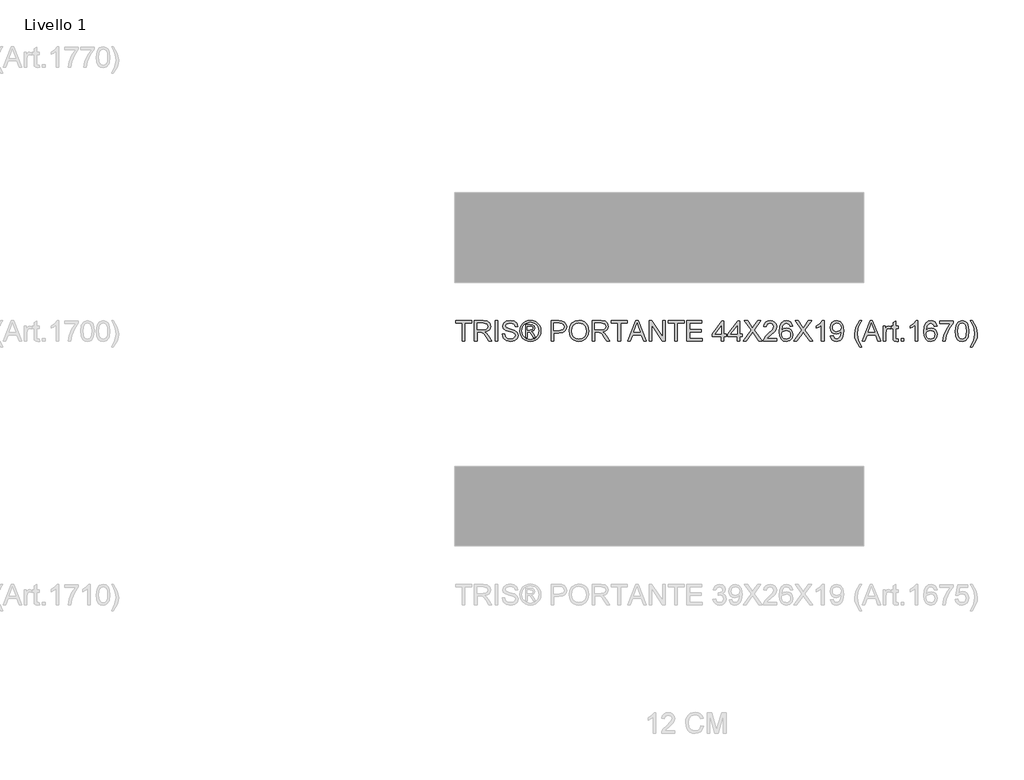
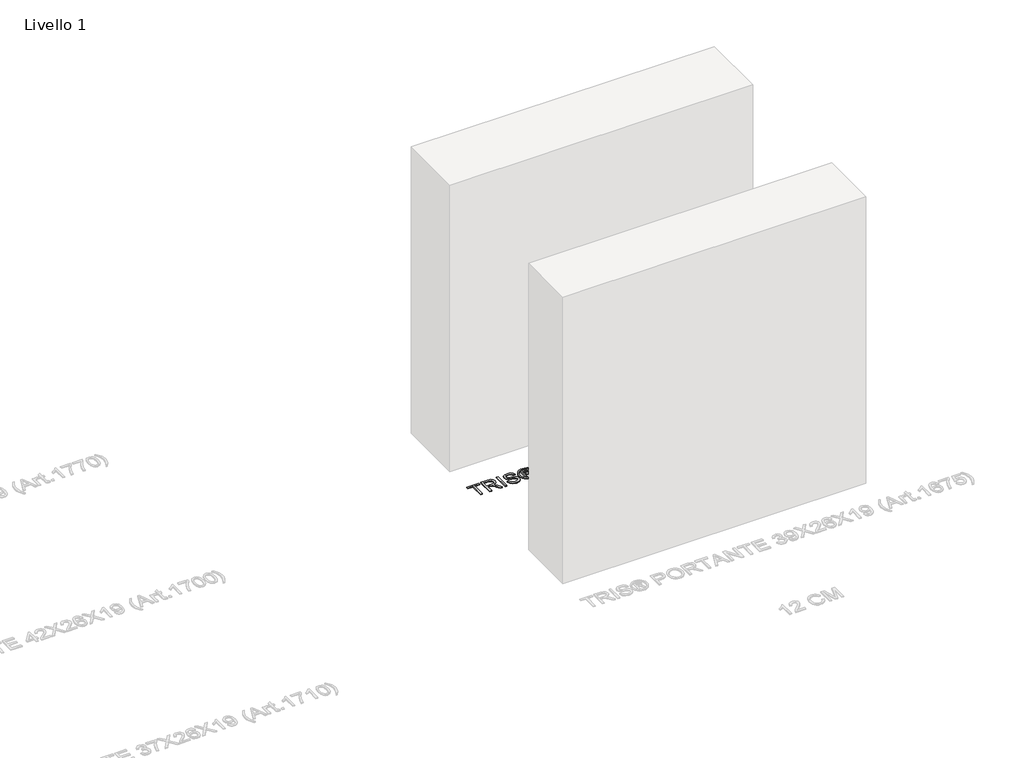
# One storey, part 17 of 19: 1 proxy.
"""IFC4 building model written with IfcOpenShell, lengths in millimetres."""

from ifc_helpers import new_model, si_unit, origin, origin_with_axes, place, context, project, spatial, polyline, outline, extrude, element, save

model = new_model("IFC4")

# Units and contexts
model_context = context("Model", 3, world=origin())
ifc_project = project(units=[si_unit("LENGTHUNIT", "METRE", prefix="MILLI")], contexts=[model_context])

# Site, building, storey
site = spatial("IfcSite", under=ifc_project)
building = spatial("IfcBuilding", under=site)
storey = spatial("IfcBuildingStorey", under=building, Name="Livello 1", Elevation=0.0)

# Proxy
placement = place(None, origin())
element("IfcBuildingElementProxy", 1, Name="100", ObjectType="100", at=placement, inside=storey, context=model_context, shape_type="SweptSolid", body=[
    extrude(outline(polyline([(3099.3895792, 1233.8942151), (3099.3895792, 1321.7934865), (3066.4273524, 1321.7934865), (3066.4273524, 1334.3505252), (3144.9088447, 1334.3505252), (3144.9088447, 1321.7934865), (3111.946618, 1321.7934865), (3111.946618, 1233.8942151), (3099.3895792, 1233.8942151)])), origin_with_axes(), (0.0, 0.0, 1.0), 5.0),
    extrude(outline(polyline([(3159.0355134, 1233.8942151), (3159.0355134, 1334.3505252), (3202.3229615, 1334.3505252), (3222.4215811, 1331.6404612), (3233.40899, 1322.0510039), (3237.5170057, 1306.8574775), (3235.8155514, 1296.9614518), (3230.7111888, 1288.7576833), (3222.0506334, 1282.7428127), (3209.6806014, 1279.4134806), (3216.8175121, 1274.0424035), (3226.9955806, 1261.1174827), (3243.7464741, 1233.8942151), (3229.1538216, 1233.8942151), (3216.0817481, 1254.716336), (3206.6394435, 1268.4996481), (3200.0053049, 1275.0111594), (3194.0333538, 1277.4023924), (3186.7492903, 1277.8438508), (3171.5925521, 1277.8438508), (3171.5925521, 1233.8942151), (3159.0355134, 1233.8942151)]), holes=[polyline([(3171.5925521, 1290.4008895), (3199.6987366, 1290.4008895), (3214.0338716, 1292.1789858), (3222.1763265, 1297.868894), (3224.9599669, 1306.3914936), (3219.6502034, 1317.4524789), (3202.8625217, 1321.7934865), (3171.5925521, 1321.7934865), (3171.5925521, 1290.4008895)])]), origin_with_axes(), (0.0, 0.0, 1.0), 5.0),
    extrude(outline(polyline([(3261.0614534, 1233.8942151), (3261.0614534, 1334.3505252), (3273.6184921, 1334.3505252), (3273.6184921, 1233.8942151), (3261.0614534, 1233.8942151)])), origin_with_axes(), (0.0, 0.0, 1.0), 5.0),
    extrude(outline(polyline([(3294.0236801, 1268.4260717), (3306.5807189, 1268.4260717), (3310.6274208, 1255.8567702), (3320.5111838, 1247.9105191), (3335.5698201, 1244.881624), (3348.6909446, 1247.1747551), (3357.1644932, 1253.4778), (3359.9481337, 1261.9022976), (3357.863469, 1269.7381841), (3349.3286067, 1275.4403551), (3331.0448716, 1280.2350837), (3311.3631848, 1286.427764), (3300.6823442, 1295.7719667), (3297.1629398, 1308.255429), (3301.5162101, 1322.4679368), (3314.2326644, 1332.4988525), (3332.8474933, 1335.9201551), (3352.7131211, 1332.339437), (3365.9568729, 1321.8180119), (3370.9355426, 1306.097188), (3358.3785038, 1306.097188), (3356.07311, 1313.589718), (3351.2661186, 1318.9975833), (3333.3380027, 1323.3631163), (3315.3608358, 1319.0466342), (3309.7199786, 1308.623311), (3313.7176296, 1299.9167705), (3334.2209195, 1292.9024871), (3356.440992, 1286.5994422), (3368.5933605, 1276.4213737), (3372.5051724, 1262.2211287), (3368.0047494, 1247.1992806), (3355.0553031, 1236.2363971), (3336.0603294, 1232.3245852), (3313.6317905, 1236.5429654), (3299.4438082, 1249.247157), (3294.0236801, 1268.4260717)])), origin_with_axes(), (0.0, 0.0, 1.0), 5.0),
    extrude(outline(polyline([(3408.6066589, 1252.7297732), (3408.6066589, 1315.5149671), (3428.8892196, 1315.5149671), (3443.9478559, 1313.7859217), (3451.3668095, 1307.752657), (3454.1259244, 1298.5923953), (3449.367984, 1286.6730186), (3436.7618942, 1280.9831105), (3441.6669875, 1277.647647), (3450.2263753, 1265.1151337), (3457.2651841, 1252.7297732), (3446.6701827, 1252.7297732), (3441.1519527, 1262.6871126), (3431.9058519, 1277.1080868), (3423.8860244, 1279.4134806), (3418.024438, 1279.4134806), (3418.024438, 1252.7297732), (3408.6066589, 1252.7297732)]), holes=[polyline([(3418.024438, 1288.8312597), (3429.9438146, 1288.8312597), (3441.5934111, 1291.2224927), (3444.7081453, 1297.5623257), (3443.2120919, 1302.1240624), (3439.0550254, 1305.1161693), (3429.1835251, 1306.097188), (3418.024438, 1306.097188), (3418.024438, 1288.8312597)])]), origin_with_axes(), (0.0, 0.0, 1.0), 5.0),
    extrude(outline(polyline([(3432.175632, 1335.9201551), (3445.069896, 1334.246292), (3457.6575916, 1329.2247028), (3468.7155112, 1321.0883793), (3477.0204473, 1310.0703135), (3482.2167804, 1297.3477279), (3483.9488915, 1284.0978447), (3482.2413059, 1270.9644575), (3477.1185491, 1258.346105), (3468.9147806, 1247.3678931), (3457.9641599, 1239.1549276), (3445.3550045, 1234.0321708), (3432.175632, 1232.3245852), (3419.0146537, 1234.0321708), (3406.4116296, 1239.1549276), (3395.4518119, 1247.3678931), (3387.2204522, 1258.346105), (3382.0701043, 1270.9644575), (3380.3533217, 1284.0978447), (3382.0946298, 1297.3477279), (3387.3185541, 1310.0703135), (3395.6510813, 1321.0883793), (3406.718198, 1329.2247028), (3419.2997622, 1334.246292), (3432.175632, 1335.9201551)]), holes=[polyline([(3432.175632, 1326.502376), (3411.3535111, 1321.0209343), (3402.3250738, 1314.3592045), (3395.4977971, 1305.3368985), (3389.7711007, 1284.0978447), (3395.3874325, 1263.0427318), (3411.1082565, 1247.3586961), (3432.175632, 1241.7423643), (3453.2552704, 1247.3586961), (3468.9393061, 1263.0427318), (3474.5311124, 1284.0978447), (3468.8412042, 1305.3368985), (3462.0323216, 1314.3592045), (3452.9854902, 1321.0209343), (3432.175632, 1326.502376)])]), origin_with_axes(), (0.0, 0.0, 1.0), 5.0),
    extrude(outline(polyline([(3534.1770466, 1233.8942151), (3534.1770466, 1334.3505252), (3571.4067045, 1334.3505252), (3586.4162899, 1333.394032), (3598.6177094, 1328.6974052), (3606.5271723, 1318.9853206), (3609.5192792, 1305.2878476), (3607.4989939, 1293.4481787), (3601.438138, 1283.5828099), (3590.1043069, 1276.9241458), (3572.2650958, 1274.7045911), (3546.7340853, 1274.7045911), (3546.7340853, 1233.8942151), (3534.1770466, 1233.8942151)]), holes=[polyline([(3546.7340853, 1287.2616298), (3573.0008598, 1287.2616298), (3591.4930614, 1291.8724175), (3595.5949457, 1297.4213043), (3596.9622404, 1304.8463892), (3593.7371416, 1315.2451869), (3585.263593, 1320.9350951), (3572.7065542, 1321.7934865), (3546.7340853, 1321.7934865), (3546.7340853, 1287.2616298)])]), origin_with_axes(), (0.0, 0.0, 1.0), 5.0),
    extrude(outline(polyline([(3622.076318, 1282.797995), (3625.4240441, 1305.0119361), (3635.4672226, 1321.8180119), (3650.8017704, 1332.3946193), (3670.0236047, 1335.9201551), (3683.1999115, 1334.2646861), (3695.0150549, 1329.2982792), (3704.8252414, 1321.3704222), (3711.9866776, 1310.830603), (3716.3644733, 1298.1877251), (3717.8237386, 1283.9506919), (3716.2878312, 1269.5235863), (3711.6801092, 1256.7028988), (3704.2550243, 1246.1446855), (3694.2670281, 1238.5050027), (3682.5530523, 1233.8696896), (3669.9500283, 1232.3245852), (3656.5713864, 1234.0321708), (3644.6887979, 1239.1549276), (3634.9031369, 1247.2299374), (3627.8152771, 1257.794282), (3622.076318, 1282.797995)]), holes=[polyline([(3634.6333567, 1282.6753676), (3637.1441513, 1266.9606751), (3644.6765352, 1254.9861161), (3655.9981036, 1247.407747), (3669.8764519, 1244.881624), (3683.9571352, 1247.4322725), (3695.2970977, 1255.084218), (3702.7742993, 1267.4266589), (3705.2666998, 1284.0487938), (3700.9992687, 1304.7728128), (3688.528069, 1318.4948112), (3670.0971811, 1323.3631163), (3656.5897805, 1321.0178686), (3645.1057309, 1313.9821254), (3637.2514503, 1301.4649405), (3634.6333567, 1282.6753676)])]), origin_with_axes(), (0.0, 0.0, 1.0), 5.0),
    extrude(outline(polyline([(3735.0896669, 1233.8942151), (3735.0896669, 1334.3505252), (3778.377115, 1334.3505252), (3798.4757346, 1331.6404612), (3809.4631436, 1322.0510039), (3813.5711592, 1306.8574775), (3811.8697049, 1296.9614518), (3806.7653423, 1288.7576833), (3798.104787, 1282.7428127), (3785.7347549, 1279.4134806), (3792.8716656, 1274.0424035), (3803.0497341, 1261.1174827), (3819.8006276, 1233.8942151), (3805.2079752, 1233.8942151), (3792.1359016, 1254.716336), (3782.693597, 1268.4996481), (3776.0594584, 1275.0111594), (3770.0875073, 1277.4023924), (3762.8034438, 1277.8438508), (3747.6467056, 1277.8438508), (3747.6467056, 1233.8942151), (3735.0896669, 1233.8942151)]), holes=[polyline([(3747.6467056, 1290.4008895), (3775.7528901, 1290.4008895), (3790.0880251, 1292.1789858), (3798.23048, 1297.868894), (3801.0141204, 1306.3914936), (3795.7043569, 1317.4524789), (3778.9166752, 1321.7934865), (3747.6467056, 1321.7934865), (3747.6467056, 1290.4008895)])]), origin_with_axes(), (0.0, 0.0, 1.0), 5.0),
    extrude(outline(polyline([(3860.6600546, 1233.8942151), (3860.6600546, 1321.7934865), (3827.6978278, 1321.7934865), (3827.6978278, 1334.3505252), (3906.1793201, 1334.3505252), (3906.1793201, 1321.7934865), (3873.2170933, 1321.7934865), (3873.2170933, 1233.8942151), (3860.6600546, 1233.8942151)])), origin_with_axes(), (0.0, 0.0, 1.0), 5.0),
    extrude(outline(polyline([(3908.6073413, 1233.8942151), (3948.7064787, 1334.3505252), (3959.3995821, 1334.3505252), (3999.4987195, 1233.8942151), (3986.2304422, 1233.8942151), (3974.7279985, 1265.286812), (3933.3535368, 1265.286812), (3921.8756186, 1233.8942151), (3908.6073413, 1233.8942151)]), holes=[polyline([(3937.9643245, 1277.8438508), (3970.1417363, 1277.8438508), (3961.0918392, 1302.5409954), (3954.0530304, 1321.7934865), (3947.7990365, 1304.6992364), (3937.9643245, 1277.8438508)])]), origin_with_axes(), (0.0, 0.0, 1.0), 5.0),
    extrude(outline(polyline([(4012.9141496, 1233.8942151), (4012.9141496, 1334.3505252), (4026.3541052, 1334.3505252), (4078.8386032, 1254.7653869), (4078.8386032, 1334.3505252), (4091.3956419, 1334.3505252), (4091.3956419, 1233.8942151), (4077.9556864, 1233.8942151), (4025.4711884, 1313.5038788), (4025.4711884, 1233.8942151), (4012.9141496, 1233.8942151)])), origin_with_axes(), (0.0, 0.0, 1.0), 5.0),
    extrude(outline(polyline([(4138.4845373, 1233.8942151), (4138.4845373, 1321.7934865), (4105.5223105, 1321.7934865), (4105.5223105, 1334.3505252), (4184.0038029, 1334.3505252), (4184.0038029, 1321.7934865), (4151.0415761, 1321.7934865), (4151.0415761, 1233.8942151), (4138.4845373, 1233.8942151)])), origin_with_axes(), (0.0, 0.0, 1.0), 5.0),
    extrude(outline(polyline([(4198.1304715, 1233.8942151), (4198.1304715, 1334.3505252), (4270.3334444, 1334.3505252), (4270.3334444, 1321.7934865), (4210.6875102, 1321.7934865), (4210.6875102, 1291.9705194), (4267.1941847, 1291.9705194), (4267.1941847, 1279.4134806), (4210.6875102, 1279.4134806), (4210.6875102, 1246.4512538), (4271.9030742, 1246.4512538), (4271.9030742, 1233.8942151), (4198.1304715, 1233.8942151)])), origin_with_axes(), (0.0, 0.0, 1.0), 5.0),
    extrude(outline(polyline([(4366.080865, 1233.8942151), (4366.080865, 1257.4386628), (4320.5615995, 1257.4386628), (4320.5615995, 1269.9957015), (4369.2201247, 1332.7808954), (4378.6379038, 1332.7808954), (4378.6379038, 1269.9957015), (4391.1949425, 1269.9957015), (4391.1949425, 1257.4386628), (4378.6379038, 1257.4386628), (4378.6379038, 1233.8942151), (4366.080865, 1233.8942151)]), holes=[polyline([(4366.080865, 1269.9957015), (4366.080865, 1308.7949893), (4336.0126433, 1269.9957015), (4366.080865, 1269.9957015)])]), origin_with_axes(), (0.0, 0.0, 1.0), 5.0),
    extrude(outline(polyline([(4442.9927275, 1233.8942151), (4442.9927275, 1257.4386628), (4397.4734619, 1257.4386628), (4397.4734619, 1269.9957015), (4446.1319871, 1332.7808954), (4455.5497662, 1332.7808954), (4455.5497662, 1269.9957015), (4468.106805, 1269.9957015), (4468.106805, 1257.4386628), (4455.5497662, 1257.4386628), (4455.5497662, 1233.8942151), (4442.9927275, 1233.8942151)]), holes=[polyline([(4442.9927275, 1269.9957015), (4442.9927275, 1308.7949893), (4412.9245057, 1269.9957015), (4442.9927275, 1269.9957015)])]), origin_with_axes(), (0.0, 0.0, 1.0), 5.0),
    extrude(outline(polyline([(4472.8156945, 1233.8942151), (4511.5414059, 1288.635056), (4479.0942139, 1334.3505252), (4494.1528503, 1334.3505252), (4512.4243227, 1308.623311), (4518.5802147, 1298.5923953), (4525.7907018, 1308.7949893), (4543.8659705, 1334.3505252), (4559.1453361, 1334.3505252), (4526.6981441, 1288.4879032), (4565.4238555, 1233.8942151), (4550.3652191, 1233.8942151), (4524.5644285, 1270.2900071), (4519.1933514, 1277.8438508), (4513.282714, 1269.5542431), (4488.0950601, 1233.8942151), (4472.8156945, 1233.8942151)])), origin_with_axes(), (0.0, 0.0, 1.0), 5.0),
    extrude(outline(polyline([(4637.6268284, 1246.4512538), (4637.6268284, 1233.8942151), (4571.7023748, 1233.8942151), (4573.0512755, 1242.5517047), (4580.6786955, 1255.8812957), (4596.3995194, 1270.4371599), (4618.0800317, 1291.3573827), (4623.5001598, 1305.5821532), (4618.3866, 1317.0968597), (4605.0324836, 1321.7934865), (4591.1142814, 1317.2072242), (4585.8290435, 1304.5275581), (4573.2720047, 1306.097188), (4576.3162282, 1318.2434252), (4582.8982502, 1327.1155127), (4592.6747142, 1332.5417721), (4605.3022637, 1334.3505252), (4618.0217837, 1332.339437), (4627.7798536, 1326.3061723), (4633.9878623, 1317.2930634), (4636.0571985, 1306.3424427), (4633.8253811, 1294.4353287), (4626.4064275, 1282.1235446), (4608.416998, 1264.91893), (4593.9714983, 1252.8401378), (4588.3061156, 1246.4512538), (4637.6268284, 1246.4512538)])), origin_with_axes(), (0.0, 0.0, 1.0), 5.0),
    extrude(outline(polyline([(4714.5386908, 1307.6668178), (4701.9816521, 1306.097188), (4697.2237116, 1316.5695621), (4684.6421474, 1321.7934865), (4673.3113819, 1318.7523286), (4664.7397314, 1307.335724), (4661.1712761, 1284.956236), (4672.2445241, 1294.974889), (4685.9665225, 1298.2490388), (4697.5670681, 1296.01109), (4707.3036783, 1289.2972435), (4713.9071601, 1279.0394672), (4716.1083207, 1266.1697288), (4711.9635169, 1248.8424868), (4700.559175, 1236.5797536), (4684.1025871, 1232.3245852), (4669.8563568, 1235.1450139), (4658.510263, 1243.6062997), (4651.0882437, 1258.5423088), (4648.6142373, 1280.7869067), (4651.3610895, 1305.796751), (4659.6016462, 1322.8971324), (4670.8527039, 1331.487177), (4685.4269623, 1334.3505252), (4696.445028, 1332.5785603), (4705.2680646, 1327.2626655), (4711.4484821, 1318.8197737), (4714.5386908, 1307.6668178)]), holes=[polyline([(4661.1712761, 1266.3659325), (4664.0775438, 1255.4888882), (4671.8030657, 1247.591688), (4683.1215684, 1244.881624), (4691.4081104, 1246.2857069), (4697.9226874, 1250.4979558), (4702.1441333, 1257.1198317), (4703.5512819, 1265.7527959), (4702.1625274, 1274.0393378), (4697.9962638, 1280.3577111), (4691.3713222, 1284.3584278), (4682.6065336, 1285.692), (4667.4130072, 1280.3577111), (4662.7317089, 1274.192622), (4661.1712761, 1266.3659325)])]), origin_with_axes(), (0.0, 0.0, 1.0), 5.0),
    extrude(outline(polyline([(4720.8172102, 1233.8942151), (4759.5429216, 1288.635056), (4727.0957296, 1334.3505252), (4742.1543659, 1334.3505252), (4760.4258384, 1308.623311), (4766.5817304, 1298.5923953), (4773.7922175, 1308.7949893), (4791.8674862, 1334.3505252), (4807.1468517, 1334.3505252), (4774.6996598, 1288.4879032), (4813.4253711, 1233.8942151), (4798.3667348, 1233.8942151), (4772.5659442, 1270.2900071), (4767.1948671, 1277.8438508), (4761.2842297, 1269.5542431), (4736.0965757, 1233.8942151), (4720.8172102, 1233.8942151)])), origin_with_axes(), (0.0, 0.0, 1.0), 5.0),
    extrude(outline(polyline([(4868.3624157, 1233.8942151), (4855.805377, 1233.8942151), (4855.805377, 1312.1795036), (4843.9105258, 1303.705955), (4830.6912994, 1297.366122), (4830.6912994, 1309.2364477), (4849.0976619, 1320.9841461), (4860.2690119, 1334.3505252), (4868.3624157, 1334.3505252), (4868.3624157, 1233.8942151)])), origin_with_axes(), (0.0, 0.0, 1.0), 5.0),
    extrude(outline(polyline([(4899.7550127, 1259.0082926), (4912.3120514, 1260.5779225), (4917.9529087, 1248.5972321), (4928.646012, 1244.881624), (4938.8118178, 1247.272857), (4945.7034739, 1253.6617409), (4949.8114895, 1264.5755735), (4951.626374, 1279.1437005), (4951.5527976, 1281.5962471), (4941.5096191, 1272.0803662), (4927.7385698, 1268.4260717), (4916.2882427, 1270.6578891), (4906.7570333, 1277.3533414), (4900.3282954, 1287.6969569), (4898.1853828, 1300.8732637), (4900.4325287, 1314.4848975), (4907.1739662, 1325.1534753), (4917.2999182, 1332.0512628), (4929.7006071, 1334.3505252), (4947.5919348, 1329.1020754), (4959.9037189, 1314.141541), (4964.1098364, 1286.0353565), (4959.9159816, 1255.5379391), (4954.7012543, 1245.5468773), (4947.444782, 1238.2597481), (4938.4592642, 1233.8083759), (4928.0574008, 1232.3245852), (4917.3213779, 1234.0750904), (4908.7558588, 1239.3266059), (4902.7655137, 1247.7480379), (4899.7550127, 1259.0082926)]), holes=[polyline([(4951.5527976, 1301.1675693), (4950.1977656, 1309.6779061), (4946.1326695, 1316.2262056), (4939.8234933, 1320.4016662), (4931.7362208, 1321.7934865), (4923.3485113, 1320.2943673), (4916.6285335, 1315.7970099), (4912.2139496, 1308.9145509), (4910.7424216, 1300.260127), (4912.1342418, 1292.5008826), (4916.3097025, 1286.3419249), (4922.8641333, 1282.3228141), (4931.3928643, 1280.9831105), (4945.8751521, 1286.3419249), (4950.1333862, 1292.7277432), (4951.5527976, 1301.1675693)])]), origin_with_axes(), (0.0, 0.0, 1.0), 5.0),
    extrude(outline(polyline([(5042.5913287, 1205.6408778), (5024.7613146, 1235.0959629), (5019.298267, 1252.2760521), (5017.4772511, 1270.0692779), (5022.9219047, 1300.6034835), (5042.5913287, 1334.3505252), (5052.0091077, 1334.3505252), (5040.2614094, 1314.460372), (5033.1980751, 1295.1833555), (5030.0342899, 1269.9957015), (5035.5279944, 1237.806027), (5052.0091077, 1205.6408778), (5042.5913287, 1205.6408778)])), origin_with_axes(), (0.0, 0.0, 1.0), 5.0),
    extrude(outline(polyline([(5054.4371289, 1233.8942151), (5094.5362664, 1334.3505252), (5105.2293697, 1334.3505252), (5145.3285072, 1233.8942151), (5132.0602299, 1233.8942151), (5120.5577862, 1265.286812), (5079.1833244, 1265.286812), (5067.7054062, 1233.8942151), (5054.4371289, 1233.8942151)]), holes=[polyline([(5083.7941121, 1277.8438508), (5115.971524, 1277.8438508), (5106.9216269, 1302.5409954), (5099.882818, 1321.7934865), (5093.6288241, 1304.6992364), (5083.7941121, 1277.8438508)])]), origin_with_axes(), (0.0, 0.0, 1.0), 5.0),
    extrude(outline(polyline([(5157.1743074, 1233.8942151), (5157.1743074, 1307.6668178), (5168.1617163, 1307.6668178), (5168.1617163, 1296.7529853), (5175.9608146, 1306.8084265), (5183.8089639, 1309.2364477), (5196.4150536, 1305.361424), (5192.2211988, 1294.104235), (5183.3920309, 1296.6794089), (5176.2919084, 1294.2023368), (5171.7669599, 1287.3352062), (5169.7313462, 1272.6689774), (5169.7313462, 1233.8942151), (5157.1743074, 1233.8942151)])), origin_with_axes(), (0.0, 0.0, 1.0), 5.0),
    extrude(outline(polyline([(5230.9469102, 1244.3665892), (5232.51654, 1233.5263331), (5223.1232864, 1232.3245852), (5212.6018614, 1234.4092499), (5207.3534116, 1239.8784289), (5205.8328327, 1254.1277248), (5205.8328327, 1295.1097791), (5196.4150536, 1295.1097791), (5196.4150536, 1307.6668178), (5205.8328327, 1307.6668178), (5205.8328327, 1325.5949337), (5218.3898714, 1332.9770991), (5218.3898714, 1307.6668178), (5230.9469102, 1307.6668178), (5230.9469102, 1295.1097791), (5218.3898714, 1295.1097791), (5218.3898714, 1254.4956068), (5219.052059, 1248.0208837), (5221.1980373, 1245.7277526), (5225.4777312, 1244.881624), (5230.9469102, 1244.3665892)])), origin_with_axes(), (0.0, 0.0, 1.0), 5.0),
    extrude(outline(polyline([(5246.6432087, 1233.8942151), (5246.6432087, 1246.4512538), (5259.2002474, 1246.4512538), (5259.2002474, 1233.8942151), (5246.6432087, 1233.8942151)])), origin_with_axes(), (0.0, 0.0, 1.0), 5.0),
    extrude(outline(polyline([(5326.6943308, 1233.8942151), (5314.137292, 1233.8942151), (5314.137292, 1312.1795036), (5302.2424409, 1303.705955), (5289.0232145, 1297.366122), (5289.0232145, 1309.2364477), (5307.429577, 1320.9841461), (5318.6009269, 1334.3505252), (5326.6943308, 1334.3505252), (5326.6943308, 1233.8942151)])), origin_with_axes(), (0.0, 0.0, 1.0), 5.0),
    extrude(outline(polyline([(5420.8721216, 1307.6668178), (5408.3150828, 1306.097188), (5403.5571423, 1316.5695621), (5390.9755781, 1321.7934865), (5379.6448126, 1318.7523286), (5371.0731622, 1307.335724), (5367.5047068, 1284.956236), (5378.5779549, 1294.974889), (5392.2999533, 1298.2490388), (5403.9004989, 1296.01109), (5413.637109, 1289.2972435), (5420.2405908, 1279.0394672), (5422.4417514, 1266.1697288), (5418.2969476, 1248.8424868), (5406.8926058, 1236.5797536), (5390.4360178, 1232.3245852), (5376.1897876, 1235.1450139), (5364.8436937, 1243.6062997), (5357.4216745, 1258.5423088), (5354.947668, 1280.7869067), (5357.6945203, 1305.796751), (5365.935077, 1322.8971324), (5377.1861346, 1331.487177), (5391.760393, 1334.3505252), (5402.7784588, 1332.5785603), (5411.6014953, 1327.2626655), (5417.7819128, 1318.8197737), (5420.8721216, 1307.6668178)]), holes=[polyline([(5367.5047068, 1266.3659325), (5370.4109746, 1255.4888882), (5378.1364965, 1247.591688), (5389.4549992, 1244.881624), (5397.7415411, 1246.2857069), (5404.2561181, 1250.4979558), (5408.477564, 1257.1198317), (5409.8847126, 1265.7527959), (5408.4959581, 1274.0393378), (5404.3296945, 1280.3577111), (5397.7047529, 1284.3584278), (5388.9399644, 1285.692), (5373.746438, 1280.3577111), (5369.0651396, 1274.192622), (5367.5047068, 1266.3659325)])]), origin_with_axes(), (0.0, 0.0, 1.0), 5.0),
    extrude(outline(polyline([(5433.4291603, 1320.2238566), (5433.4291603, 1332.7808954), (5499.3536139, 1332.7808954), (5499.3536139, 1322.6273523), (5480.6529458, 1295.6125511), (5466.3423362, 1261.1910591), (5461.6824976, 1233.8942151), (5449.1254588, 1233.8942151), (5454.1163912, 1262.2211287), (5467.8138642, 1294.239125), (5486.7965751, 1320.2238566), (5433.4291603, 1320.2238566)])), origin_with_axes(), (0.0, 0.0, 1.0), 5.0),
    extrude(outline(polyline([(5510.3410228, 1283.3130298), (5514.0321055, 1312.2162918), (5524.9949889, 1328.8813462), (5543.3032496, 1334.3505252), (5557.9694784, 1331.1131637), (5568.098496, 1321.7812237), (5573.984608, 1306.9187911), (5576.2654763, 1283.3130298), (5572.6111818, 1254.532395), (5561.6850866, 1237.8305524), (5553.4537269, 1233.701077), (5543.3032496, 1232.3245852), (5530.2557015, 1234.7158182), (5520.3474131, 1241.8895171), (5512.8426204, 1258.8795339), (5510.3410228, 1283.3130298)]), holes=[polyline([(5522.8980616, 1283.3375552), (5524.3695895, 1263.5853578), (5528.7841735, 1252.1534248), (5535.3569985, 1246.6995742), (5543.3032496, 1244.881624), (5551.2495007, 1246.7057056), (5557.8223256, 1252.1779502), (5562.2369096, 1263.6160146), (5563.7084376, 1283.3375552), (5562.2859605, 1302.6452286), (5558.0185294, 1314.1660664), (5551.4579671, 1319.8866314), (5543.1560968, 1321.7934865), (5535.2956848, 1320.113492), (5528.9803772, 1315.0735087), (5524.4186405, 1302.835301), (5522.8980616, 1283.3375552)])]), origin_with_axes(), (0.0, 0.0, 1.0), 5.0),
    extrude(outline(polyline([(5593.5314046, 1205.6408778), (5584.1136256, 1205.6408778), (5600.5947389, 1237.806027), (5606.0884434, 1269.9957015), (5602.9246582, 1294.9626263), (5595.9349003, 1314.2641683), (5584.1136256, 1334.3505252), (5593.5314046, 1334.3505252), (5613.2008286, 1300.6034835), (5618.6454822, 1270.0692779), (5616.8152693, 1252.2760521), (5611.3246305, 1235.0959629), (5593.5314046, 1205.6408778)])), origin_with_axes(), (0.0, 0.0, 1.0), 5.0),
])

save(model, "model.ifc")
